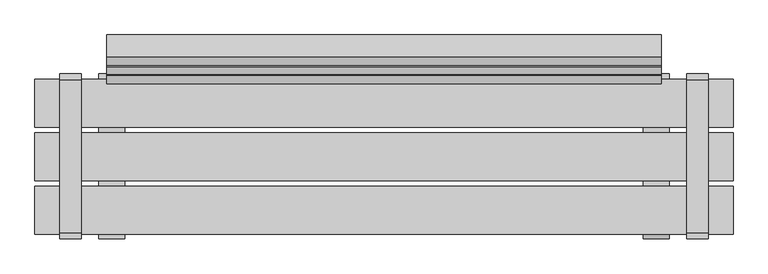
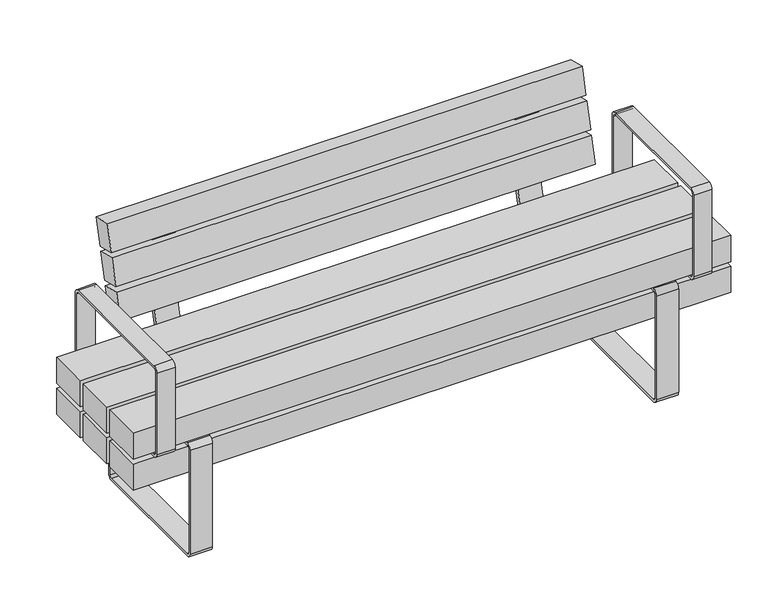
"""IFC4 building model written with IfcOpenShell, lengths in millimetres: furniture geometry."""

from ifc_helpers import new_model, si_unit, point, frame, frame_2d, origin, place, context, project, spatial, polyline, circle_curve, trimmed, segment, composite_curve, outline, extrude, source, transform, mapped, element, save


def furniture_15113df0(model_context):
    return source(origin(), model_context, "Body", "SweptSolid", [
        extrude(outline(composite_curve([segment(polyline([(198.4124417, 0.0), (-196.5875583, 0.0)]), True, "CONTINUOUS"), segment(trimmed(circle_curve(frame_2d((-196.5875583, 15.0)), 15.0), [point((-196.5875583, 0.0))], [point((-211.5875583, 15.0))], False, "CARTESIAN"), True, "CONTINUOUS"), segment(polyline([(-211.5875583, 15.0), (-211.5875583, 345.3217453)]), True, "CONTINUOUS"), segment(trimmed(circle_curve(frame_2d((-196.5875583, 345.3217453)), 15.0), [point((-211.5875583, 345.3217453))], [point((-196.5875583, 360.3217453))], False, "CARTESIAN"), True, "CONTINUOUS"), segment(polyline([(-196.5875583, 360.3217453), (198.4124417, 360.3217453)]), True, "CONTINUOUS"), segment(trimmed(circle_curve(frame_2d((198.4124417, 345.3217453)), 15.0), [point((198.4124417, 360.3217453))], [point((213.4124417, 345.3217453))], False, "CARTESIAN"), True, "CONTINUOUS"), segment(polyline([(213.4124417, 345.3217453), (213.4124417, 15.0)]), True, "CONTINUOUS"), segment(trimmed(circle_curve(frame_2d((198.4124417, 15.0)), 15.0), [point((213.4124417, 15.0))], [point((198.4124417, 0.0))], False, "CARTESIAN"), True, "CONTINUOUS")], self_intersect=False), holes=[composite_curve([segment(trimmed(circle_curve(frame_2d((-196.5875583, 15.0)), 6.5), [point((-203.0875583, 15.0))], [point((-196.5875583, 8.5))], True, "CARTESIAN"), True, "CONTINUOUS"), segment(polyline([(-196.5875583, 8.5), (198.4124417, 8.5)]), True, "CONTINUOUS"), segment(trimmed(circle_curve(frame_2d((198.4124417, 15.0)), 6.5), [point((198.4124417, 8.5))], [point((204.9124417, 15.0))], True, "CARTESIAN"), True, "CONTINUOUS"), segment(polyline([(204.9124417, 15.0), (204.9124417, 345.3217453)]), True, "CONTINUOUS"), segment(trimmed(circle_curve(frame_2d((198.4124417, 345.3217453)), 6.5), [point((204.9124417, 345.3217453))], [point((198.4124417, 351.8217453))], True, "CARTESIAN"), True, "CONTINUOUS"), segment(polyline([(198.4124417, 351.8217453), (-196.5875583, 351.8217453)]), True, "CONTINUOUS"), segment(trimmed(circle_curve(frame_2d((-196.5875583, 345.3217453)), 6.5), [point((-196.5875583, 351.8217453))], [point((-203.0875583, 345.3217453))], True, "CARTESIAN"), True, "CONTINUOUS"), segment(polyline([(-203.0875583, 345.3217453), (-203.0875583, 15.0)]), True, "CONTINUOUS")], self_intersect=False)]), frame((668.5975006, 0.0, 0.0), z_axis=(1.0, 0.0, 0.0), x_axis=(0.0, 1.0, 0.0)), (0.0, 0.0, 1.0), 67.040596),
        extrude(outline(composite_curve([segment(polyline([(198.4124417, 0.0), (-196.5875583, 0.0)]), True, "CONTINUOUS"), segment(trimmed(circle_curve(frame_2d((-196.5875583, 15.0)), 15.0), [point((-196.5875583, 0.0))], [point((-211.5875583, 15.0))], False, "CARTESIAN"), True, "CONTINUOUS"), segment(polyline([(-211.5875583, 15.0), (-211.5875583, 345.3217453)]), True, "CONTINUOUS"), segment(trimmed(circle_curve(frame_2d((-196.5875583, 345.3217453)), 15.0), [point((-211.5875583, 345.3217453))], [point((-196.5875583, 360.3217453))], False, "CARTESIAN"), True, "CONTINUOUS"), segment(polyline([(-196.5875583, 360.3217453), (198.4124417, 360.3217453)]), True, "CONTINUOUS"), segment(trimmed(circle_curve(frame_2d((198.4124417, 345.3217453)), 15.0), [point((198.4124417, 360.3217453))], [point((213.4124417, 345.3217453))], False, "CARTESIAN"), True, "CONTINUOUS"), segment(polyline([(213.4124417, 345.3217453), (213.4124417, 15.0)]), True, "CONTINUOUS"), segment(trimmed(circle_curve(frame_2d((198.4124417, 15.0)), 15.0), [point((213.4124417, 15.0))], [point((198.4124417, 0.0))], False, "CARTESIAN"), True, "CONTINUOUS")], self_intersect=False), holes=[composite_curve([segment(trimmed(circle_curve(frame_2d((-196.5875583, 15.0)), 6.5), [point((-203.0875583, 15.0))], [point((-196.5875583, 8.5))], True, "CARTESIAN"), True, "CONTINUOUS"), segment(polyline([(-196.5875583, 8.5), (198.4124417, 8.5)]), True, "CONTINUOUS"), segment(trimmed(circle_curve(frame_2d((198.4124417, 15.0)), 6.5), [point((198.4124417, 8.5))], [point((204.9124417, 15.0))], True, "CARTESIAN"), True, "CONTINUOUS"), segment(polyline([(204.9124417, 15.0), (204.9124417, 345.3217453)]), True, "CONTINUOUS"), segment(trimmed(circle_curve(frame_2d((198.4124417, 345.3217453)), 6.5), [point((204.9124417, 345.3217453))], [point((198.4124417, 351.8217453))], True, "CARTESIAN"), True, "CONTINUOUS"), segment(polyline([(198.4124417, 351.8217453), (-196.5875583, 351.8217453)]), True, "CONTINUOUS"), segment(trimmed(circle_curve(frame_2d((-196.5875583, 345.3217453)), 6.5), [point((-196.5875583, 351.8217453))], [point((-203.0875583, 345.3217453))], True, "CARTESIAN"), True, "CONTINUOUS"), segment(polyline([(-203.0875583, 345.3217453), (-203.0875583, 15.0)]), True, "CONTINUOUS")], self_intersect=False)]), frame((-735.6380966, 0.0, 0.0), z_axis=(1.0, 0.0, 0.0), x_axis=(0.0, 1.0, 0.0)), (0.0, 0.0, 1.0), 67.040596),
        extrude(outline(composite_curve([segment(polyline([(198.4124417, 351.8217453), (-196.5875583, 351.8217453)]), True, "CONTINUOUS"), segment(trimmed(circle_curve(frame_2d((-196.5875583, 366.8217453)), 15.0), [point((-196.5875583, 351.8217453))], [point((-211.5875583, 366.8217453))], False, "CARTESIAN"), True, "CONTINUOUS"), segment(polyline([(-211.5875583, 366.8217453), (-211.5875583, 626.8217453)]), True, "CONTINUOUS"), segment(trimmed(circle_curve(frame_2d((-196.5875583, 626.8217453)), 15.0), [point((-211.5875583, 626.8217453))], [point((-196.5875583, 641.8217453))], False, "CARTESIAN"), True, "CONTINUOUS"), segment(polyline([(-196.5875583, 641.8217453), (198.4124417, 641.8217453)]), True, "CONTINUOUS"), segment(trimmed(circle_curve(frame_2d((198.4124417, 626.8217453)), 15.0), [point((198.4124417, 641.8217453))], [point((213.4124417, 626.8217453))], False, "CARTESIAN"), True, "CONTINUOUS"), segment(polyline([(213.4124417, 626.8217453), (213.4124417, 366.8217453)]), True, "CONTINUOUS"), segment(trimmed(circle_curve(frame_2d((198.4124417, 366.8217453)), 15.0), [point((213.4124417, 366.8217453))], [point((198.4124417, 351.8217453))], False, "CARTESIAN"), True, "CONTINUOUS")], self_intersect=False), holes=[composite_curve([segment(trimmed(circle_curve(frame_2d((-196.5875583, 366.8217453)), 6.5), [point((-203.0875583, 366.8217453))], [point((-196.5875583, 360.3217453))], True, "CARTESIAN"), True, "CONTINUOUS"), segment(polyline([(-196.5875583, 360.3217453), (198.4124417, 360.3217453)]), True, "CONTINUOUS"), segment(trimmed(circle_curve(frame_2d((198.4124417, 366.8217453)), 6.5), [point((198.4124417, 360.3217453))], [point((204.9124417, 366.8217453))], True, "CARTESIAN"), True, "CONTINUOUS"), segment(polyline([(204.9124417, 366.8217453), (204.9124417, 626.8217453)]), True, "CONTINUOUS"), segment(trimmed(circle_curve(frame_2d((198.4124417, 626.8217453)), 6.5), [point((204.9124417, 626.8217453))], [point((198.4124417, 633.3217453))], True, "CARTESIAN"), True, "CONTINUOUS"), segment(polyline([(198.4124417, 633.3217453), (-196.5875583, 633.3217453)]), True, "CONTINUOUS"), segment(trimmed(circle_curve(frame_2d((-196.5875583, 626.8217453)), 6.5), [point((-196.5875583, 633.3217453))], [point((-203.0875583, 626.8217453))], True, "CARTESIAN"), True, "CONTINUOUS"), segment(polyline([(-203.0875583, 626.8217453), (-203.0875583, 366.8217453)]), True, "CONTINUOUS")], self_intersect=False)]), frame((-836.1291871, 0.0, 0.0), z_axis=(1.0, 0.0, 0.0), x_axis=(0.0, 1.0, 0.0)), (0.0, 0.0, 1.0), 55.0),
        extrude(outline(polyline([(351.8217453, 900.0000373), (351.8217453, -900.0), (268.7167987, -900.0), (268.7167987, 900.0000373), (351.8217453, 900.0000373)]), holes=[polyline([(339.8217453, -888.0), (339.8217453, 888.0), (280.7167987, 888.0), (280.7167987, -888.0), (339.8217453, -888.0)])]), frame((0.0, -61.5000218, 0.0), z_axis=(0.0, 1.0, 0.0), x_axis=(0.0, 0.0, 1.0)), (0.0, 0.0, 1.0), 123.0000435),
        extrude(outline(composite_curve([segment(polyline([(198.4124417, 351.8217453), (-196.5875583, 351.8217453)]), True, "CONTINUOUS"), segment(trimmed(circle_curve(frame_2d((-196.5875583, 366.8217453)), 15.0), [point((-196.5875583, 351.8217453))], [point((-211.5875583, 366.8217453))], False, "CARTESIAN"), True, "CONTINUOUS"), segment(polyline([(-211.5875583, 366.8217453), (-211.5875583, 626.8217453)]), True, "CONTINUOUS"), segment(trimmed(circle_curve(frame_2d((-196.5875583, 626.8217453)), 15.0), [point((-211.5875583, 626.8217453))], [point((-196.5875583, 641.8217453))], False, "CARTESIAN"), True, "CONTINUOUS"), segment(polyline([(-196.5875583, 641.8217453), (198.4124417, 641.8217453)]), True, "CONTINUOUS"), segment(trimmed(circle_curve(frame_2d((198.4124417, 626.8217453)), 15.0), [point((198.4124417, 641.8217453))], [point((213.4124417, 626.8217453))], False, "CARTESIAN"), True, "CONTINUOUS"), segment(polyline([(213.4124417, 626.8217453), (213.4124417, 366.8217453)]), True, "CONTINUOUS"), segment(trimmed(circle_curve(frame_2d((198.4124417, 366.8217453)), 15.0), [point((213.4124417, 366.8217453))], [point((198.4124417, 351.8217453))], False, "CARTESIAN"), True, "CONTINUOUS")], self_intersect=False), holes=[composite_curve([segment(trimmed(circle_curve(frame_2d((-196.5875583, 366.8217453)), 6.5), [point((-203.0875583, 366.8217453))], [point((-196.5875583, 360.3217453))], True, "CARTESIAN"), True, "CONTINUOUS"), segment(polyline([(-196.5875583, 360.3217453), (198.4124417, 360.3217453)]), True, "CONTINUOUS"), segment(trimmed(circle_curve(frame_2d((198.4124417, 366.8217453)), 6.5), [point((198.4124417, 360.3217453))], [point((204.9124417, 366.8217453))], True, "CARTESIAN"), True, "CONTINUOUS"), segment(polyline([(204.9124417, 366.8217453), (204.9124417, 626.8217453)]), True, "CONTINUOUS"), segment(trimmed(circle_curve(frame_2d((198.4124417, 626.8217453)), 6.5), [point((204.9124417, 626.8217453))], [point((198.4124417, 633.3217453))], True, "CARTESIAN"), True, "CONTINUOUS"), segment(polyline([(198.4124417, 633.3217453), (-196.5875583, 633.3217453)]), True, "CONTINUOUS"), segment(trimmed(circle_curve(frame_2d((-196.5875583, 626.8217453)), 6.5), [point((-196.5875583, 633.3217453))], [point((-203.0875583, 626.8217453))], True, "CARTESIAN"), True, "CONTINUOUS"), segment(polyline([(-203.0875583, 626.8217453), (-203.0875583, 366.8217453)]), True, "CONTINUOUS")], self_intersect=False)]), frame((781.1291871, 0.0, 0.0), z_axis=(1.0, 0.0, 0.0), x_axis=(0.0, 1.0, 0.0)), (0.0, 0.0, 1.0), 55.0),
        extrude(outline(composite_curve([segment(polyline([(301.7676975, 665.0239384), (227.7235932, 368.0492568)]), True, "CONTINUOUS"), segment(trimmed(circle_curve(frame_2d((206.9533257, 373.2278661)), 21.4061208), [point((227.7235932, 368.0492568))], [point((206.9533257, 351.8217453))], False, "CARTESIAN"), True, "CONTINUOUS"), segment(polyline([(206.9533257, 351.8217453), (76.4999782, 351.8217453), (76.4999782, 366.8258682), (207.2227467, 366.8258682)]), True, "CONTINUOUS"), segment(trimmed(circle_curve(frame_2d((207.2227467, 376.8258682)), 10.0), [point((207.2227467, 366.8258682))], [point((216.925704, 374.4066493))], True, "CARTESIAN"), True, "CONTINUOUS"), segment(polyline([(216.925704, 374.4066493), (290.8352259, 670.8415506), (252.7658072, 680.3333227), (255.6688699, 691.9768714), (290.84209, 683.2072027)]), True, "CONTINUOUS"), segment(trimmed(circle_curve(frame_2d((287.2132616, 668.6527668)), 15.0), [point((290.84209, 683.2072027))], [point((301.7676975, 665.0239384))], False, "CARTESIAN"), True, "CONTINUOUS")], self_intersect=False)), frame((-582.1768452, 0.0, 0.0), z_axis=(1.0, 0.0, 0.0), x_axis=(0.0, 1.0, 0.0)), (0.0, 0.0, 1.0), 70.0),
        extrude(outline(composite_curve([segment(polyline([(301.7676975, 665.0239384), (227.7235932, 368.0492568)]), True, "CONTINUOUS"), segment(trimmed(circle_curve(frame_2d((206.9533257, 373.2278661)), 21.4061208), [point((227.7235932, 368.0492568))], [point((206.9533257, 351.8217453))], False, "CARTESIAN"), True, "CONTINUOUS"), segment(polyline([(206.9533257, 351.8217453), (76.4999782, 351.8217453), (76.4999782, 366.8258682), (207.2227467, 366.8258682)]), True, "CONTINUOUS"), segment(trimmed(circle_curve(frame_2d((207.2227467, 376.8258682)), 10.0), [point((207.2227467, 366.8258682))], [point((216.925704, 374.4066493))], True, "CARTESIAN"), True, "CONTINUOUS"), segment(polyline([(216.925704, 374.4066493), (290.8352259, 670.8415506), (252.7658072, 680.3333227), (255.6688699, 691.9768714), (290.84209, 683.2072027)]), True, "CONTINUOUS"), segment(trimmed(circle_curve(frame_2d((287.2132616, 668.6527668)), 15.0), [point((290.84209, 683.2072027))], [point((301.7676975, 665.0239384))], False, "CARTESIAN"), True, "CONTINUOUS")], self_intersect=False)), frame((512.1769562, 0.0, 0.0), z_axis=(1.0, 0.0, 0.0), x_axis=(0.0, 1.0, 0.0)), (0.0, 0.0, 1.0), 70.0),
        extrude(outline(polyline([(0.0, -60.0), (0.0, 0.0), (1430.0000015, 0.0), (1430.0000015, -60.0), (0.0, -60.0)])), frame((715.0000752, 188.1106519, 506.8497082), z_axis=(0.0, 0.24226794219074058, 0.9702093816216497), x_axis=(-1.0, 0.0, 0.0)), (0.0, 0.0, 1.0), 82.9016978),
        extrude(outline(polyline([(0.0, -60.0), (0.0, 0.0), (1430.0000015, 0.0), (1430.0000015, -60.0), (0.0, -60.0)])), frame((715.0000752, 211.8519257, 601.9262847), z_axis=(0.0, 0.24226794219074002, 0.9702093816216498), x_axis=(-1.0, 0.0, 0.0)), (0.0, 0.0, 1.0), 82.9016978),
        extrude(outline(polyline([(0.0, -60.0), (0.0, 0.0), (1430.0000015, 0.0), (1430.0000015, -60.0), (0.0, -60.0)])), frame((715.0000752, 235.5883657, 696.9835034), z_axis=(0.0, 0.24226794219073886, 0.9702093816216503), x_axis=(-1.0, 0.0, 0.0)), (0.0, 0.0, 1.0), 82.9016978),
        extrude(outline(polyline([(900.0, -76.5174894), (900.0, -199.5174894), (-900.0, -199.5174894), (-900.0, -76.5174894), (900.0, -76.5174894)])), frame((0.0, 0.0, 366.8258682), z_axis=(0.0, 0.0, 1.0), x_axis=(1.0, 0.0, 0.0)), (0.0, 0.0, 1.0), 83.1049466),
        extrude(outline(polyline([(900.0, 61.4888479), (900.0, -61.5111521), (-900.0, -61.5111521), (-900.0, 61.4888479), (900.0, 61.4888479)])), frame((0.0, 0.0, 366.8258682), z_axis=(0.0, 0.0, 1.0), x_axis=(1.0, 0.0, 0.0)), (0.0, 0.0, 1.0), 83.1049466),
        extrude(outline(polyline([(900.0, 199.4999782), (900.0, 76.4999782), (-900.0, 76.4999782), (-900.0, 199.4999782), (900.0, 199.4999782)])), frame((0.0, 0.0, 366.8258682), z_axis=(0.0, 0.0, 1.0), x_axis=(1.0, 0.0, 0.0)), (0.0, 0.0, 1.0), 83.1049466),
        extrude(outline(polyline([(900.0, -76.5174894), (900.0, -199.5174894), (-900.0, -199.5174894), (-900.0, -76.5174894), (900.0, -76.5174894)])), frame((0.0, 0.0, 268.7167987), z_axis=(0.0, 0.0, 1.0), x_axis=(1.0, 0.0, 0.0)), (0.0, 0.0, 1.0), 83.1049466),
        extrude(outline(polyline([(900.0, 199.4999782), (900.0, 76.4999782), (-900.0, 76.4999782), (-900.0, 199.4999782), (900.0, 199.4999782)])), frame((0.0, 0.0, 268.7167987), z_axis=(0.0, 0.0, 1.0), x_axis=(1.0, 0.0, 0.0)), (0.0, 0.0, 1.0), 83.1049466),
        extrude(outline(polyline([(735.4649994, -171.2111197), (668.4244034, -171.2111197), (668.4244034, 168.7288553), (735.4649994, 168.7288553), (735.4649994, -171.2111197)])), frame((0.0, 0.0, 351.8217453), z_axis=(0.0, 0.0, 1.0), x_axis=(1.0, 0.0, 0.0)), (0.0, 0.0, 1.0), 15.004123),
        extrude(outline(polyline([(-668.5975006, -171.2111197), (-735.6380966, -171.2111197), (-735.6380966, 168.7288553), (-668.5975006, 168.7288553), (-668.5975006, -171.2111197)])), frame((0.0, 0.0, 351.8217453), z_axis=(0.0, 0.0, 1.0), x_axis=(1.0, 0.0, 0.0)), (0.0, 0.0, 1.0), 15.004123),
    ])


if __name__ == "__main__":
    model = new_model("IFC4")
    model_context = context("Model", 3, world=origin())
    ifc_project = project(units=[si_unit("LENGTHUNIT", "METRE", prefix="MILLI")], contexts=[model_context])
    site = spatial("IfcSite", under=ifc_project)
    building = spatial("IfcBuilding", under=site)
    placement = place(None, origin())
    furniture_shape = furniture_15113df0(model_context)
    element("IfcFurniture", 1, at=placement, inside=building, context=model_context, shape_type="MappedRepresentation", body=[
        mapped(furniture_shape, transform((0.0, 0.0, 0.0), x_axis=(1.0, 0.0, 0.0), y_axis=(0.0, 1.0, 0.0), z_axis=(0.0, 0.0, 1.0))),
    ])
    save(model, "model.ifc")
